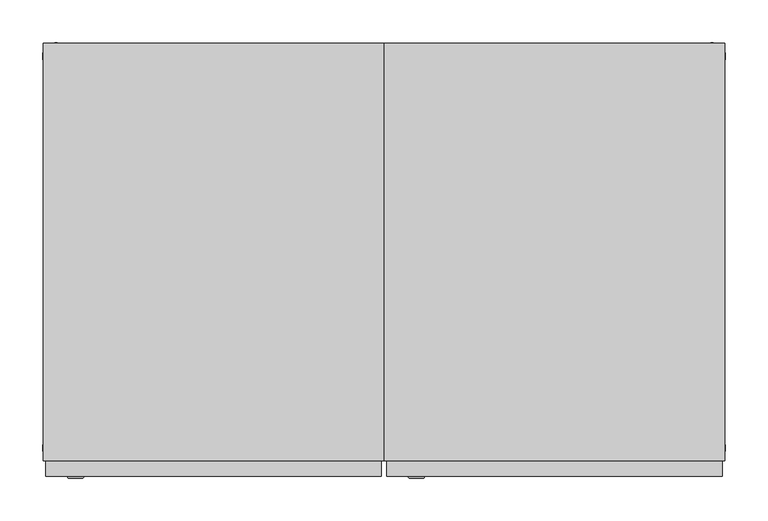
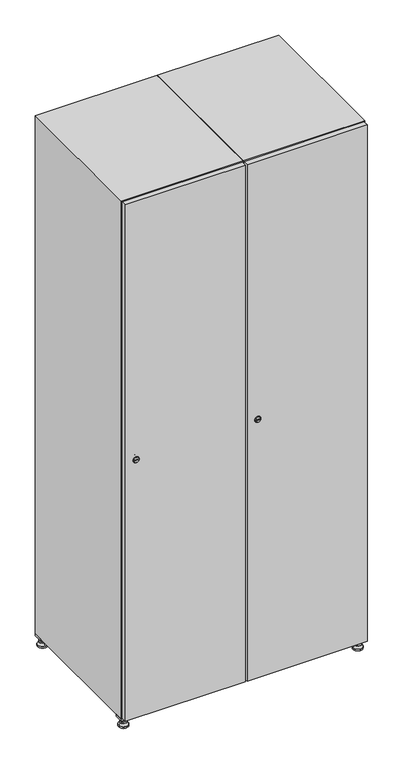
"""IFC4 building model written with IfcOpenShell, lengths in millimetres: furniture geometry."""

from ifc_helpers import new_model, si_unit, point, frame, frame_2d, origin, origin_with_axes, place, context, project, spatial, polyline, circle_curve, trimmed, segment, composite_curve, outline, extrude, faceted_brep, source, transform, mapped, element, save
from ifc_brep_helpers import plane_surface, revolved_surface, advanced_brep


def furniture_388ff44f(model_context):
    return source(origin(), model_context, "Body", "SolidModel", [
        extrude(outline(polyline([(600.0, 245.0), (600.0, 215.0), (570.0, 215.0), (570.0, 245.0), (600.0, 245.0)]), holes=[polyline([(598.0, 243.0), (572.0, 243.0), (572.0, 217.0), (598.0, 217.0), (598.0, 243.0)])]), frame((0.0, 0.0, 28.5), z_axis=(0.0, 0.0, 1.0), x_axis=(1.0, 0.0, 0.0)), (0.0, 0.0, 1.0), 6.5),
        extrude(outline(polyline([(570.0, -245.0), (570.0, -215.0), (600.0, -215.0), (600.0, -245.0), (570.0, -245.0)]), holes=[polyline([(572.0, -243.0), (598.0, -243.0), (598.0, -217.0), (572.0, -217.0), (572.0, -243.0)])]), frame((0.0, 0.0, 28.5), z_axis=(0.0, 0.0, 1.0), x_axis=(1.0, 0.0, 0.0)), (0.0, 0.0, 1.0), 6.5),
        extrude(outline(polyline([(-170.0, 245.0), (-170.0, 215.0), (-200.0, 215.0), (-200.0, 245.0), (-170.0, 245.0)]), holes=[polyline([(-172.0, 243.0), (-198.0, 243.0), (-198.0, 217.0), (-172.0, 217.0), (-172.0, 243.0)])]), frame((0.0, 0.0, 28.5), z_axis=(0.0, 0.0, 1.0), x_axis=(1.0, 0.0, 0.0)), (0.0, 0.0, 1.0), 6.5),
        extrude(outline(polyline([(-170.0, -215.0), (-170.0, -245.0), (-200.0, -245.0), (-200.0, -215.0), (-170.0, -215.0)]), holes=[polyline([(-198.0, -243.0), (-172.0, -243.0), (-172.0, -217.0), (-198.0, -217.0), (-198.0, -243.0)])]), frame((0.0, 0.0, 28.5), z_axis=(0.0, 0.0, 1.0), x_axis=(1.0, 0.0, 0.0)), (0.0, 0.0, 1.0), 6.5),
        extrude(outline(composite_curve([segment(trimmed(circle_curve(frame_2d((-185.0, 230.0)), 5.0), [point((-180.0, 230.0))], [point((-190.0, 230.0))], False, "CARTESIAN"), True, "CONTINUOUS"), segment(trimmed(circle_curve(frame_2d((-185.0, 230.0)), 5.0), [point((-190.0, 230.0))], [point((-180.0, 230.0))], False, "CARTESIAN"), True, "CONTINUOUS")], self_intersect=False)), frame((0.0, 0.0, 19.6), z_axis=(0.0, 0.0, 1.0), x_axis=(1.0, 0.0, 0.0)), (0.0, 0.0, 1.0), 15.4),
        extrude(outline(composite_curve([segment(trimmed(circle_curve(frame_2d((-185.0, -230.0)), 5.0), [point((-180.0, -230.0))], [point((-190.0, -230.0))], False, "CARTESIAN"), True, "CONTINUOUS"), segment(trimmed(circle_curve(frame_2d((-185.0, -230.0)), 5.0), [point((-190.0, -230.0))], [point((-180.0, -230.0))], False, "CARTESIAN"), True, "CONTINUOUS")], self_intersect=False)), frame((0.0, 0.0, 19.6), z_axis=(0.0, 0.0, 1.0), x_axis=(1.0, 0.0, 0.0)), (0.0, 0.0, 1.0), 15.4),
        extrude(outline(composite_curve([segment(trimmed(circle_curve(frame_2d((585.0, 230.0)), 5.0), [point((590.0, 230.0))], [point((580.0, 230.0))], False, "CARTESIAN"), True, "CONTINUOUS"), segment(trimmed(circle_curve(frame_2d((585.0, 230.0)), 5.0), [point((580.0, 230.0))], [point((590.0, 230.0))], False, "CARTESIAN"), True, "CONTINUOUS")], self_intersect=False)), frame((0.0, 0.0, 19.6), z_axis=(0.0, 0.0, 1.0), x_axis=(1.0, 0.0, 0.0)), (0.0, 0.0, 1.0), 15.4),
        extrude(outline(polyline([(573.4529946, 230.0), (579.2264973, 240.0), (590.7735027, 240.0), (596.5470054, 230.0), (590.7735027, 220.0), (579.2264973, 220.0), (573.4529946, 230.0)])), frame((0.0, 0.0, 13.6), z_axis=(0.0, 0.0, 1.0), x_axis=(1.0, 0.0, 0.0)), (0.0, 0.0, 1.0), 6.0),
        extrude(outline(composite_curve([segment(trimmed(circle_curve(frame_2d((585.0, -230.0)), 5.0), [point((590.0, -230.0))], [point((580.0, -230.0))], False, "CARTESIAN"), True, "CONTINUOUS"), segment(trimmed(circle_curve(frame_2d((585.0, -230.0)), 5.0), [point((580.0, -230.0))], [point((590.0, -230.0))], False, "CARTESIAN"), True, "CONTINUOUS")], self_intersect=False)), frame((0.0, 0.0, 19.6), z_axis=(0.0, 0.0, 1.0), x_axis=(1.0, 0.0, 0.0)), (0.0, 0.0, 1.0), 15.4),
        extrude(outline(polyline([(573.4529946, -230.0), (579.2264973, -220.0), (590.7735027, -220.0), (596.5470054, -230.0), (590.7735027, -240.0), (579.2264973, -240.0), (573.4529946, -230.0)])), frame((0.0, 0.0, 13.6), z_axis=(0.0, 0.0, 1.0), x_axis=(1.0, 0.0, 0.0)), (0.0, 0.0, 1.0), 6.0),
        extrude(outline(composite_curve([segment(trimmed(circle_curve(frame_2d((585.0, 230.0)), 5.0), [point((590.0, 230.0))], [point((580.0, 230.0))], False, "CARTESIAN"), True, "CONTINUOUS"), segment(trimmed(circle_curve(frame_2d((585.0, 230.0)), 5.0), [point((580.0, 230.0))], [point((590.0, 230.0))], False, "CARTESIAN"), True, "CONTINUOUS")], self_intersect=False)), frame((0.0, 0.0, 12.1), z_axis=(0.0, 0.0, 1.0), x_axis=(1.0, 0.0, 0.0)), (0.0, 0.0, 1.0), 1.5),
        extrude(outline(composite_curve([segment(trimmed(circle_curve(frame_2d((585.0, -230.0)), 5.0), [point((590.0, -230.0))], [point((580.0, -230.0))], False, "CARTESIAN"), True, "CONTINUOUS"), segment(trimmed(circle_curve(frame_2d((585.0, -230.0)), 5.0), [point((580.0, -230.0))], [point((590.0, -230.0))], False, "CARTESIAN"), True, "CONTINUOUS")], self_intersect=False)), frame((0.0, 0.0, 12.1), z_axis=(0.0, 0.0, 1.0), x_axis=(1.0, 0.0, 0.0)), (0.0, 0.0, 1.0), 1.5),
        extrude(outline(polyline([(-196.5470054, 230.0), (-190.7735027, 240.0), (-179.2264973, 240.0), (-173.4529946, 230.0), (-179.2264973, 220.0), (-190.7735027, 220.0), (-196.5470054, 230.0)])), frame((0.0, 0.0, 13.6), z_axis=(0.0, 0.0, 1.0), x_axis=(1.0, 0.0, 0.0)), (0.0, 0.0, 1.0), 6.0),
        extrude(outline(polyline([(-196.5470054, -230.0), (-190.7735027, -220.0), (-179.2264973, -220.0), (-173.4529946, -230.0), (-179.2264973, -240.0), (-190.7735027, -240.0), (-196.5470054, -230.0)])), frame((0.0, 0.0, 13.6), z_axis=(0.0, 0.0, 1.0), x_axis=(1.0, 0.0, 0.0)), (0.0, 0.0, 1.0), 6.0),
        extrude(outline(composite_curve([segment(trimmed(circle_curve(frame_2d((-185.0, 230.0)), 5.0), [point((-185.0, 235.0))], [point((-185.0, 225.0))], False, "CARTESIAN"), True, "CONTINUOUS"), segment(trimmed(circle_curve(frame_2d((-185.0, 230.0)), 5.0), [point((-185.0, 225.0))], [point((-185.0, 235.0))], False, "CARTESIAN"), True, "CONTINUOUS")], self_intersect=False)), frame((0.0, 0.0, 12.1), z_axis=(0.0, 0.0, 1.0), x_axis=(1.0, 0.0, 0.0)), (0.0, 0.0, 1.0), 1.5),
        extrude(outline(composite_curve([segment(trimmed(circle_curve(frame_2d((-185.0, -230.0)), 5.0), [point((-180.0, -230.0))], [point((-190.0, -230.0))], False, "CARTESIAN"), True, "CONTINUOUS"), segment(trimmed(circle_curve(frame_2d((-185.0, -230.0)), 5.0), [point((-190.0, -230.0))], [point((-180.0, -230.0))], False, "CARTESIAN"), True, "CONTINUOUS")], self_intersect=False)), frame((0.0, 0.0, 12.1), z_axis=(0.0, 0.0, 1.0), x_axis=(1.0, 0.0, 0.0)), (0.0, 0.0, 1.0), 1.5),
        extrude(outline(composite_curve([segment(trimmed(circle_curve(frame_2d((585.0, 230.0)), 15.75), [point((600.75, 230.0))], [point((569.25, 230.0))], False, "CARTESIAN"), True, "CONTINUOUS"), segment(trimmed(circle_curve(frame_2d((585.0, 230.0)), 15.75), [point((569.25, 230.0))], [point((600.75, 230.0))], False, "CARTESIAN"), True, "CONTINUOUS")], self_intersect=False)), origin_with_axes(), (0.0, 0.0, 1.0), 5.1),
        extrude(outline(composite_curve([segment(trimmed(circle_curve(frame_2d((585.0, -230.0)), 15.75), [point((585.0, -214.25))], [point((585.0, -245.75))], False, "CARTESIAN"), True, "CONTINUOUS"), segment(trimmed(circle_curve(frame_2d((585.0, -230.0)), 15.75), [point((585.0, -245.75))], [point((585.0, -214.25))], False, "CARTESIAN"), True, "CONTINUOUS")], self_intersect=False)), origin_with_axes(), (0.0, 0.0, 1.0), 5.1),
        extrude(outline(composite_curve([segment(trimmed(circle_curve(frame_2d((-185.0, -230.0)), 15.75), [point((-169.25, -230.0))], [point((-200.75, -230.0))], False, "CARTESIAN"), True, "CONTINUOUS"), segment(trimmed(circle_curve(frame_2d((-185.0, -230.0)), 15.75), [point((-200.75, -230.0))], [point((-169.25, -230.0))], False, "CARTESIAN"), True, "CONTINUOUS")], self_intersect=False)), origin_with_axes(), (0.0, 0.0, 1.0), 5.1),
        extrude(outline(composite_curve([segment(trimmed(circle_curve(frame_2d((-185.0, 230.0)), 15.75), [point((-169.25, 230.0))], [point((-200.75, 230.0))], False, "CARTESIAN"), True, "CONTINUOUS"), segment(trimmed(circle_curve(frame_2d((-185.0, 230.0)), 15.75), [point((-200.75, 230.0))], [point((-169.25, 230.0))], False, "CARTESIAN"), True, "CONTINUOUS")], self_intersect=False)), origin_with_axes(), (0.0, 0.0, 1.0), 5.1),
        advanced_brep(
        [(-185.0, 239.5, 12.1), (-185.0, 220.5, 12.1), (-185.0, 214.25, 5.1), (-185.0, 245.75, 5.1)],
        [
            (0, 1, circle_curve(frame((-185.0, 230.0, 12.1), z_axis=(0.0, 0.0, -1.0), x_axis=(0.0, 1.0, 0.0)), 9.5)),
            (1, 2),
            (2, 3, circle_curve(frame((-185.0, 230.0, 5.1), z_axis=(0.0, 0.0, 1.0), x_axis=(0.0, 1.0, 0.0)), 15.75)),
            (3, 0),
            (1, 0, circle_curve(frame((-185.0, 230.0, 12.1), z_axis=(0.0, 0.0, -1.0), x_axis=(0.0, -1.0, 0.0)), 9.5)),
            (3, 2, circle_curve(frame((-185.0, 230.0, 5.1), z_axis=(0.0, 0.0, 1.0), x_axis=(0.0, -1.0, 0.0)), 15.75)),
        ],
        [
            revolved_surface(polyline([(-185.0, 220.5, 12.099999999999998), (-185.0, 214.25, 5.099999999999998)]), (-185.0, 230.0, 22.74), (0.0, 0.0, -1.0)),
            revolved_surface(polyline([(-185.0, 239.5, 12.099999999999998), (-185.0, 245.75, 5.099999999999998)]), (-185.0, 230.0, 22.74), (0.0, 0.0, -1.0)),
            plane_surface(frame((-185.0, 230.0, 5.1), z_axis=(0.0, 0.0, -1.0), x_axis=(1.0, 0.0, 0.0))),
            plane_surface(frame((-185.0, 230.0, 12.1), z_axis=(0.0, 0.0, 1.0), x_axis=(1.0, 0.0, 0.0))),
        ],
        [
            (0, [[1, 2, 3, 4]]),
            (1, [[5, -4, 6, -2]]),
            (2, [[-3, -6]]),
            (3, [[-5, -1]]),
        ],
    ),
        advanced_brep(
        [(585.0, 239.5, 12.1), (585.0, 220.5, 12.1), (585.0, 214.25, 5.1), (585.0, 245.75, 5.1)],
        [
            (0, 1, circle_curve(frame((585.0, 230.0, 12.1), z_axis=(0.0, 0.0, -1.0), x_axis=(0.0, 1.0, 0.0)), 9.5)),
            (1, 2),
            (2, 3, circle_curve(frame((585.0, 230.0, 5.1), z_axis=(0.0, 0.0, 1.0), x_axis=(0.0, 1.0, 0.0)), 15.75)),
            (3, 0),
            (1, 0, circle_curve(frame((585.0, 230.0, 12.1), z_axis=(0.0, 0.0, -1.0), x_axis=(0.0, -1.0, 0.0)), 9.5)),
            (3, 2, circle_curve(frame((585.0, 230.0, 5.1), z_axis=(0.0, 0.0, 1.0), x_axis=(0.0, -1.0, 0.0)), 15.75)),
        ],
        [
            revolved_surface(polyline([(585.0, 220.5, 12.099999999999998), (585.0, 214.25, 5.099999999999998)]), (585.0, 230.0, 22.74), (0.0, 0.0, -1.0)),
            revolved_surface(polyline([(585.0, 239.5, 12.099999999999998), (585.0, 245.75, 5.099999999999998)]), (585.0, 230.0, 22.74), (0.0, 0.0, -1.0)),
            plane_surface(frame((585.0, 230.0, 5.1), z_axis=(0.0, 0.0, -1.0), x_axis=(1.0, 0.0, 0.0))),
            plane_surface(frame((585.0, 230.0, 12.1), z_axis=(0.0, 0.0, 1.0), x_axis=(1.0, 0.0, 0.0))),
        ],
        [
            (0, [[1, 2, 3, 4]]),
            (1, [[5, -4, 6, -2]]),
            (2, [[-3, -6]]),
            (3, [[-5, -1]]),
        ],
    ),
        advanced_brep(
        [(600.75, -230.0, 5.1), (569.25, -230.0, 5.1), (575.5, -230.0, 12.1), (594.5, -230.0, 12.1)],
        [
            (0, 1, circle_curve(frame((585.0, -230.0, 5.1), z_axis=(0.0, 0.0, 1.0), x_axis=(1.0, 0.0, 0.0)), 15.75)),
            (1, 2),
            (2, 3, circle_curve(frame((585.0, -230.0, 12.1), z_axis=(0.0, 0.0, -1.0), x_axis=(1.0, 0.0, 0.0)), 9.5)),
            (3, 0),
            (1, 0, circle_curve(frame((585.0, -230.0, 5.1), z_axis=(0.0, 0.0, 1.0), x_axis=(-1.0, 0.0, 0.0)), 15.75)),
            (3, 2, circle_curve(frame((585.0, -230.0, 12.1), z_axis=(0.0, 0.0, -1.0), x_axis=(-1.0, 0.0, 0.0)), 9.5)),
        ],
        [
            revolved_surface(polyline([(594.5, -230.0, 12.099999999999998), (600.75, -230.0, 5.099999999999998)]), (585.0, -230.0, 22.74), (0.0, 0.0, -1.0)),
            revolved_surface(polyline([(575.5, -230.0, 12.099999999999998), (569.25, -230.0, 5.099999999999998)]), (585.0, -230.0, 22.74), (0.0, 0.0, -1.0)),
            plane_surface(frame((585.0, -230.0, 12.1), z_axis=(0.0, 0.0, 1.0), x_axis=(0.0, 1.0, 0.0))),
            plane_surface(frame((585.0, -230.0, 5.1), z_axis=(0.0, 0.0, -1.0), x_axis=(0.0, 1.0, 0.0))),
        ],
        [
            (0, [[1, 2, 3, 4]]),
            (1, [[5, -4, 6, -2]]),
            (2, [[-3, -6]]),
            (3, [[-5, -1]]),
        ],
    ),
        advanced_brep(
        [(-169.25, -230.0, 5.1), (-200.75, -230.0, 5.1), (-194.5, -230.0, 12.1), (-175.5, -230.0, 12.1)],
        [
            (0, 1, circle_curve(frame((-185.0, -230.0, 5.1), z_axis=(0.0, 0.0, 1.0), x_axis=(1.0, 0.0, 0.0)), 15.75)),
            (1, 2),
            (2, 3, circle_curve(frame((-185.0, -230.0, 12.1), z_axis=(0.0, 0.0, -1.0), x_axis=(1.0, 0.0, 0.0)), 9.5)),
            (3, 0),
            (1, 0, circle_curve(frame((-185.0, -230.0, 5.1), z_axis=(0.0, 0.0, 1.0), x_axis=(-1.0, 0.0, 0.0)), 15.75)),
            (3, 2, circle_curve(frame((-185.0, -230.0, 12.1), z_axis=(0.0, 0.0, -1.0), x_axis=(-1.0, 0.0, 0.0)), 9.5)),
        ],
        [
            revolved_surface(polyline([(-175.5, -230.0, 12.099999999999998), (-169.25, -230.0, 5.099999999999998)]), (-185.0, -230.0, 22.74), (0.0, 0.0, -1.0)),
            revolved_surface(polyline([(-194.5, -230.0, 12.099999999999998), (-200.75, -230.0, 5.099999999999998)]), (-185.0, -230.0, 22.74), (0.0, 0.0, -1.0)),
            plane_surface(frame((-185.0, -230.0, 12.1), z_axis=(0.0, 0.0, 1.0), x_axis=(0.0, 1.0, 0.0))),
            plane_surface(frame((-185.0, -230.0, 5.1), z_axis=(0.0, 0.0, -1.0), x_axis=(0.0, 1.0, 0.0))),
        ],
        [
            (0, [[1, 2, 3, 4]]),
            (1, [[5, -4, 6, -2]]),
            (2, [[-3, -6]]),
            (3, [[-5, -1]]),
        ],
    ),
        extrude(outline(composite_curve([segment(trimmed(circle_curve(frame_2d((935.0, 211.2010534)), 7.0), [point((942.0, 211.2010534))], [point((928.0, 211.2010534))], False, "CARTESIAN"), True, "CONTINUOUS"), segment(polyline([(928.0, 211.2010534), (928.0, 239.2010534)]), True, "CONTINUOUS"), segment(trimmed(circle_curve(frame_2d((935.0, 239.2010534)), 7.0), [point((928.0, 239.2010534))], [point((942.0, 239.2010534))], False, "CARTESIAN"), True, "CONTINUOUS"), segment(polyline([(942.0, 239.2010534), (942.0, 211.2010534)]), True, "CONTINUOUS")], self_intersect=False)), frame((0.0, -245.0, 0.0), z_axis=(0.0, 1.0, 0.0), x_axis=(0.0, 0.0, 1.0)), (0.0, 0.0, 1.0), 2.0),
        advanced_brep(
        [(246.5, -265.2, 935.0), (229.5, -265.2, 935.0), (233.0, -265.2, 933.75), (233.0, -265.2, 936.25), (243.0, -265.2, 936.25), (243.0, -265.2, 933.75), (248.5, -263.0, 935.0), (227.5, -263.0, 935.0), (233.0, -263.0, 936.25), (233.0, -263.0, 933.75), (243.0, -263.0, 933.75), (243.0, -263.0, 936.25)],
        [
            (0, 1, circle_curve(frame((238.0, -265.2, 935.0), z_axis=(0.0, -1.0, 0.0), x_axis=(1.0, 0.0, 0.0)), 8.5)),
            (1, 0, circle_curve(frame((238.0, -265.2, 935.0), z_axis=(0.0, -1.0, 0.0), x_axis=(-1.0, 0.0, 0.0)), 8.5)),
            (2, 3),
            (3, 4),
            (4, 5),
            (5, 2),
            (6, 7, circle_curve(frame((238.0, -263.0, 935.0), z_axis=(0.0, 1.0, 0.0), x_axis=(-1.0, 0.0, 0.0)), 10.5)),
            (7, 6, circle_curve(frame((238.0, -263.0, 935.0), z_axis=(0.0, 1.0, 0.0), x_axis=(1.0, 0.0, 0.0)), 10.5)),
            (8, 9),
            (9, 10),
            (10, 11),
            (11, 8),
            (0, 6),
            (7, 1),
            (8, 3),
            (2, 9),
            (11, 4),
            (10, 5),
        ],
        [
            plane_surface(frame((238.0, -265.2, 935.0), z_axis=(0.0, -1.0, 0.0), x_axis=(0.0, 0.0, 1.0))),
            plane_surface(frame((238.0, -263.0, 935.0), z_axis=(0.0, 1.0, 0.0), x_axis=(0.0, 0.0, 1.0))),
            revolved_surface(polyline([(246.5, -265.2, 935.0), (248.5, -263.0, 935.0)]), (238.0, -274.55, 935.0), (0.0, 1.0, 0.0)),
            revolved_surface(polyline([(229.5, -265.2, 935.0), (227.5, -263.0, 935.0)]), (238.0, -274.55, 935.0), (0.0, 1.0, 0.0)),
            plane_surface(frame((233.0, -263.0, 933.75), z_axis=(1.0, 0.0, 0.0), x_axis=(0.0, -1.0, 0.0))),
            plane_surface(frame((233.0, -263.0, 936.25), z_axis=(0.0, 0.0, -1.0), x_axis=(0.0, -1.0, 0.0))),
            plane_surface(frame((243.0, -263.0, 936.25), z_axis=(-1.0, 0.0, 0.0), x_axis=(0.0, -1.0, 0.0))),
            plane_surface(frame((243.0, -263.0, 933.75), z_axis=(0.0, 0.0, 1.0), x_axis=(0.0, -1.0, 0.0))),
        ],
        [
            (0, [[1, 2], [3, 4, 5, 6]]),
            (1, [[7, 8], [9, 10, 11, 12]]),
            (2, [[-1, 13, -8, 14]]),
            (3, [[-2, -14, -7, -13]]),
            (4, [[15, -3, 16, -9]]),
            (5, [[-15, -12, 17, -4]]),
            (6, [[-17, -11, 18, -5]]),
            (7, [[-16, -6, -18, -10]]),
        ],
    ),
        extrude(outline(polyline([(597.0, -245.0), (597.0, -263.0), (203.0, -263.0), (203.0, -245.0), (597.0, -245.0)])), frame((0.0, 0.0, 38.0), z_axis=(0.0, 0.0, 1.0), x_axis=(1.0, 0.0, 0.0)), (0.0, 0.0, 1.0), 1794.0),
        faceted_brep([(600.0, -245.0, 35.0), (600.0, -245.0, 1835.0), (200.0, -245.0, 1835.0), (200.0, -245.0, 35.0), (579.6, -245.0, 1804.8), (579.6, -245.0, 65.2), (220.4, -245.0, 65.2), (220.4, -245.0, 1804.8), (600.0, 245.0, 35.0), (200.0, 245.0, 35.0), (600.0, 245.0, 1835.0), (200.0, 245.0, 1835.0), (579.6, 242.0, 1804.8), (579.6, 242.0, 65.2), (200.0, 245.0, 1804.8), (220.4, 242.0, 1804.8), (220.4, 242.0, 65.2)], [[[0, 1, 2, 3], [4, 5, 6, 7]], [[8, 0, 3, 9]], [[1, 0, 8, 10]], [[1, 10, 11, 2]], [[4, 12, 13, 5]], [[9, 3, 2, 11, 14]], [[10, 8, 9, 14, 11]], [[12, 15, 16, 13]], [[15, 7, 6, 16]], [[4, 7, 15, 12]], [[6, 5, 13, 16]]]),
        extrude(outline(composite_curve([segment(trimmed(circle_curve(frame_2d((935.0, -188.7989466)), 7.0), [point((942.0, -188.7989466))], [point((928.0, -188.7989466))], False, "CARTESIAN"), True, "CONTINUOUS"), segment(polyline([(928.0, -188.7989466), (928.0, -160.7989466)]), True, "CONTINUOUS"), segment(trimmed(circle_curve(frame_2d((935.0, -160.7989466)), 7.0), [point((928.0, -160.7989466))], [point((942.0, -160.7989466))], False, "CARTESIAN"), True, "CONTINUOUS"), segment(polyline([(942.0, -160.7989466), (942.0, -188.7989466)]), True, "CONTINUOUS")], self_intersect=False)), frame((0.0, -245.0, 0.0), z_axis=(0.0, 1.0, 0.0), x_axis=(0.0, 0.0, 1.0)), (0.0, 0.0, 1.0), 2.0),
        advanced_brep(
        [(-153.5, -265.2, 935.0), (-170.5, -265.2, 935.0), (-167.0, -265.2, 933.75), (-167.0, -265.2, 936.25), (-157.0, -265.2, 936.25), (-157.0, -265.2, 933.75), (-151.5, -263.0, 935.0), (-172.5, -263.0, 935.0), (-167.0, -263.0, 936.25), (-167.0, -263.0, 933.75), (-157.0, -263.0, 933.75), (-157.0, -263.0, 936.25)],
        [
            (0, 1, circle_curve(frame((-162.0, -265.2, 935.0), z_axis=(0.0, -1.0, 0.0), x_axis=(1.0, 0.0, 0.0)), 8.5)),
            (1, 0, circle_curve(frame((-162.0, -265.2, 935.0), z_axis=(0.0, -1.0, 0.0), x_axis=(-1.0, 0.0, 0.0)), 8.5)),
            (2, 3),
            (3, 4),
            (4, 5),
            (5, 2),
            (6, 7, circle_curve(frame((-162.0, -263.0, 935.0), z_axis=(0.0, 1.0, 0.0), x_axis=(-1.0, 0.0, 0.0)), 10.5)),
            (7, 6, circle_curve(frame((-162.0, -263.0, 935.0), z_axis=(0.0, 1.0, 0.0), x_axis=(1.0, 0.0, 0.0)), 10.5)),
            (8, 9),
            (9, 10),
            (10, 11),
            (11, 8),
            (0, 6),
            (7, 1),
            (8, 3),
            (2, 9),
            (11, 4),
            (10, 5),
        ],
        [
            plane_surface(frame((-162.0, -265.2, 935.0), z_axis=(0.0, -1.0, 0.0), x_axis=(0.0, 0.0, 1.0))),
            plane_surface(frame((-162.0, -263.0, 935.0), z_axis=(0.0, 1.0, 0.0), x_axis=(0.0, 0.0, 1.0))),
            revolved_surface(polyline([(-153.5, -265.2, 935.0), (-151.5, -263.0, 935.0)]), (-162.0, -274.55, 935.0), (0.0, 1.0, 0.0)),
            revolved_surface(polyline([(-170.5, -265.2, 935.0), (-172.5, -263.0, 935.0)]), (-162.0, -274.55, 935.0), (0.0, 1.0, 0.0)),
            plane_surface(frame((-167.0, -263.0, 933.75), z_axis=(1.0, 0.0, 0.0), x_axis=(0.0, -1.0, 0.0))),
            plane_surface(frame((-167.0, -263.0, 936.25), z_axis=(0.0, 0.0, -1.0), x_axis=(0.0, -1.0, 0.0))),
            plane_surface(frame((-157.0, -263.0, 936.25), z_axis=(-1.0, 0.0, 0.0), x_axis=(0.0, -1.0, 0.0))),
            plane_surface(frame((-157.0, -263.0, 933.75), z_axis=(0.0, 0.0, 1.0), x_axis=(0.0, -1.0, 0.0))),
        ],
        [
            (0, [[1, 2], [3, 4, 5, 6]]),
            (1, [[7, 8], [9, 10, 11, 12]]),
            (2, [[-1, 13, -8, 14]]),
            (3, [[-2, -14, -7, -13]]),
            (4, [[15, -3, 16, -9]]),
            (5, [[-15, -12, 17, -4]]),
            (6, [[-17, -11, 18, -5]]),
            (7, [[-16, -6, -18, -10]]),
        ],
    ),
        extrude(outline(polyline([(197.0, -245.0), (197.0, -263.0), (-197.0, -263.0), (-197.0, -245.0), (197.0, -245.0)])), frame((0.0, 0.0, 38.0), z_axis=(0.0, 0.0, 1.0), x_axis=(1.0, 0.0, 0.0)), (0.0, 0.0, 1.0), 1794.0),
        faceted_brep([(200.0, -245.0, 35.0), (200.0, -245.0, 1835.0), (-200.0, -245.0, 1835.0), (-200.0, -245.0, 35.0), (179.6, -245.0, 1804.8), (179.6, -245.0, 65.2), (-179.6, -245.0, 65.2), (-179.6, -245.0, 1804.8), (200.0, 245.0, 35.0), (-200.0, 245.0, 35.0), (200.0, 245.0, 1835.0), (-200.0, 245.0, 1835.0), (179.6, 242.0, 1804.8), (179.6, 242.0, 65.2), (-200.0, 245.0, 1804.8), (-179.6, 242.0, 1804.8), (-179.6, 242.0, 65.2)], [[[0, 1, 2, 3], [4, 5, 6, 7]], [[8, 0, 3, 9]], [[1, 0, 8, 10]], [[1, 10, 11, 2]], [[4, 12, 13, 5]], [[9, 3, 2, 11, 14]], [[10, 8, 9, 14, 11]], [[12, 15, 16, 13]], [[15, 7, 6, 16]], [[4, 7, 15, 12]], [[6, 5, 13, 16]]]),
    ])


if __name__ == "__main__":
    model = new_model("IFC4")
    model_context = context("Model", 3, world=origin())
    ifc_project = project(units=[si_unit("LENGTHUNIT", "METRE", prefix="MILLI")], contexts=[model_context])
    site = spatial("IfcSite", under=ifc_project)
    building = spatial("IfcBuilding", under=site)
    placement = place(None, origin())
    furniture_shape = furniture_388ff44f(model_context)
    element("IfcFurniture", 1, at=placement, inside=building, context=model_context, shape_type="MappedRepresentation", body=[
        mapped(furniture_shape, transform((0.0, 0.0, 0.0), x_axis=(1.0, 0.0, 0.0), y_axis=(0.0, 1.0, 0.0), z_axis=(0.0, 0.0, 1.0))),
    ])
    save(model, "model.ifc")
